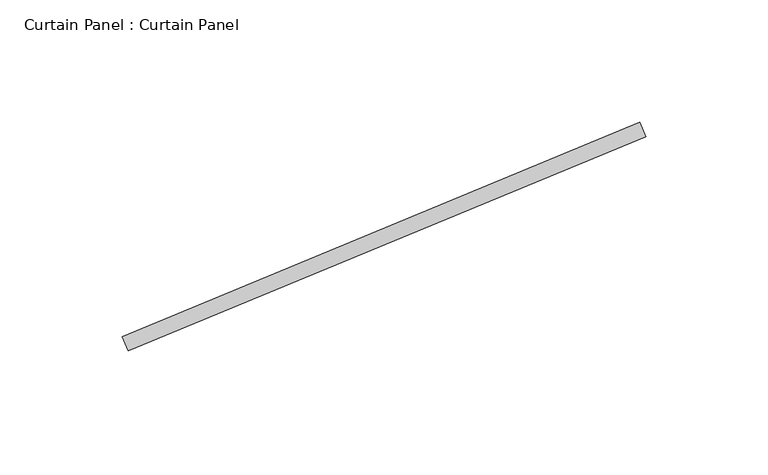
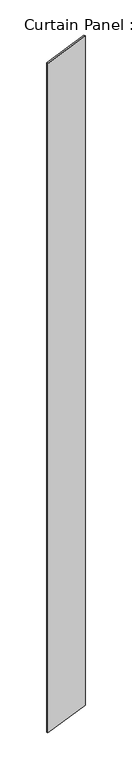
"""IFC4 building model written with IfcOpenShell, lengths in millimetres: plate geometry, Curtain Panel : Curtain Panel."""

from ifc_helpers import new_model, si_unit, origin, origin_with_axes, place, context, project, spatial, polyline, outline, extrude, source, transform, mapped, element, save


def curtain_panel_curtain_panel_d8b24dfa(model_context):
    return source(origin(), model_context, "Body", "SweptSolid", [
        extrude(outline(polyline([(3653.4109012, 92757.0112654), (3864.6186774, 92844.471172), (3867.0481192, 92838.6042894), (3655.840343, 92751.1443828), (3653.4109012, 92757.0112654)])), origin_with_axes(), (0.0, 0.0, 1.0), 3048.0),
    ])


if __name__ == "__main__":
    model = new_model("IFC4")
    model_context = context("Model", 3, world=origin())
    ifc_project = project(units=[si_unit("LENGTHUNIT", "METRE", prefix="MILLI")], contexts=[model_context])
    site = spatial("IfcSite", under=ifc_project)
    building = spatial("IfcBuilding", under=site)
    placement = place(None, origin())
    curtain_panel_curtain_panel_shape = curtain_panel_curtain_panel_d8b24dfa(model_context)
    element("IfcPlate", 1, ObjectType="Curtain Panel : Curtain Panel", at=placement, inside=building, context=model_context, shape_type="MappedRepresentation", body=[
        mapped(curtain_panel_curtain_panel_shape, transform((0.0, 0.0, 0.0), x_axis=(1.0, 0.0, 0.0), y_axis=(0.0, 1.0, 0.0), z_axis=(0.0, 0.0, 1.0))),
    ])
    save(model, "model.ifc")
